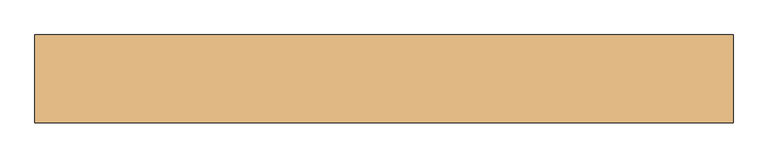
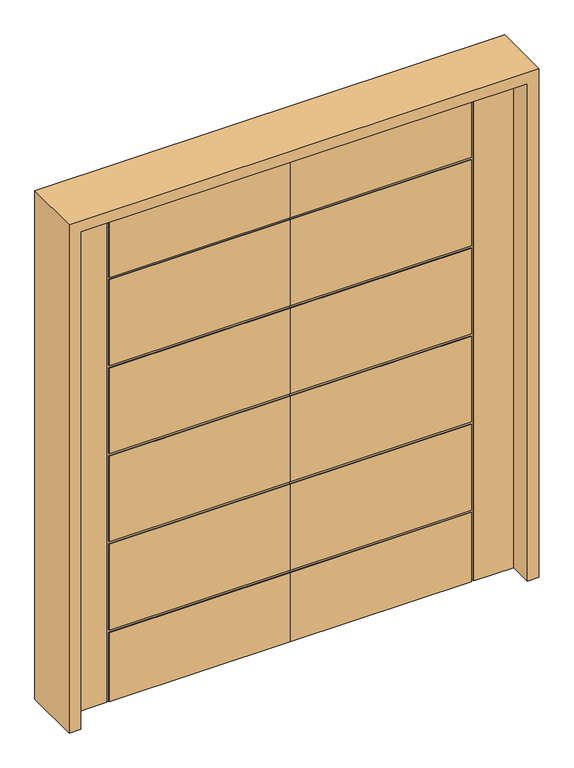
"""IFC4 building model written with IfcOpenShell, lengths in millimetres: door geometry."""

from ifc_helpers import new_model, si_unit, frame, origin, place, context, project, spatial, polyline, outline, extrude, faceted_brep, source, transform, mapped, element, save


def door_7cafe573(model_context):
    return source(origin(), model_context, "Body", "SolidModel", [
        faceted_brep([(0.0, -22.225, 0.0), (-700.024, -22.225, 0.0), (-700.024, -18.923, 0.0), (-709.93, -18.923, 0.0), (-709.93, -22.225, 0.0), (-863.6, -22.225, 0.0), (-863.6, 22.225, 0.0), (-709.93, 22.225, 0.0), (-709.93, 18.923, 0.0), (-700.024, 18.923, 0.0), (-700.024, 22.225, 0.0), (0.0, 22.225, 0.0), (0.0, -22.225, 2032.0), (0.0, -22.225, 1731.518), (0.0, -18.923, 1731.518), (0.0, -18.923, 1721.612), (0.0, -22.225, 1721.612), (0.0, -22.225, 1371.6), (0.0, -18.923, 1371.6), (0.0, -18.923, 1361.694), (0.0, -22.225, 1361.694), (0.0, -22.225, 1011.682), (0.0, -18.923, 1011.682), (0.0, -18.923, 1001.776), (0.0, -22.225, 1001.776), (0.0, -22.225, 651.764), (0.0, -18.923, 651.764), (0.0, -18.923, 641.858), (0.0, -22.225, 641.858), (0.0, -22.225, 291.846), (0.0, -18.923, 291.846), (0.0, -18.923, 281.94), (0.0, -22.225, 281.94), (0.0, 22.225, 281.94), (0.0, 18.923, 281.94), (0.0, 18.923, 291.846), (0.0, 22.225, 291.846), (0.0, 22.225, 641.858), (0.0, 18.923, 641.858), (0.0, 18.923, 651.764), (0.0, 22.225, 651.764), (0.0, 22.225, 1001.776), (0.0, 18.923, 1001.776), (0.0, 18.923, 1011.682), (0.0, 22.225, 1011.682), (0.0, 22.225, 1361.694), (0.0, 18.923, 1361.694), (0.0, 18.923, 1371.6), (0.0, 22.225, 1371.6), (0.0, 22.225, 1721.612), (0.0, 18.923, 1721.612), (0.0, 18.923, 1731.518), (0.0, 22.225, 1731.518), (0.0, 22.225, 2032.0), (-700.024, 22.225, 1731.518), (-700.024, 22.225, 2032.0), (-700.024, 22.225, 281.94), (-700.024, 22.225, 291.846), (-700.024, 22.225, 641.858), (-700.024, 22.225, 651.764), (-700.024, 22.225, 1001.776), (-700.024, 22.225, 1011.682), (-700.024, 22.225, 1361.694), (-700.024, 22.225, 1371.6), (-700.024, 22.225, 1721.612), (-863.6, 22.225, 2032.0), (-709.93, 22.225, 2032.0), (-700.024, 18.923, 281.94), (-700.024, 18.923, 291.846), (-709.93, 18.923, 2032.0), (-700.024, 18.923, 2032.0), (-700.024, 18.923, 1731.518), (-700.024, 18.923, 1721.612), (-700.024, 18.923, 1371.6), (-700.024, 18.923, 1361.694), (-700.024, 18.923, 1011.682), (-700.024, 18.923, 1001.776), (-700.024, 18.923, 651.764), (-700.024, 18.923, 641.858), (-863.6, -22.225, 2032.0), (-709.93, -22.225, 2032.0), (-700.024, -22.225, 281.94), (-700.024, -22.225, 641.858), (-700.024, -22.225, 291.846), (-700.024, -22.225, 1001.776), (-700.024, -22.225, 651.764), (-700.024, -22.225, 2032.0), (-700.024, -22.225, 1731.518), (-700.024, -22.225, 1361.694), (-700.024, -22.225, 1011.682), (-700.024, -22.225, 1721.612), (-700.024, -22.225, 1371.6), (-709.93, -18.923, 2032.0), (-700.024, -18.923, 2032.0), (-700.024, -18.923, 291.846), (-700.024, -18.923, 641.858), (-700.024, -18.923, 651.764), (-700.024, -18.923, 1001.776), (-700.024, -18.923, 1011.682), (-700.024, -18.923, 1361.694), (-700.024, -18.923, 1371.6), (-700.024, -18.923, 1721.612), (-700.024, -18.923, 1731.518), (-700.024, -18.923, 281.94)], [[[0, 1, 2, 3, 4, 5, 6, 7, 8, 9, 10, 11]], [[12, 13, 14, 15, 16, 17, 18, 19, 20, 21, 22, 23, 24, 25, 26, 27, 28, 29, 30, 31, 32, 0, 11, 33, 34, 35, 36, 37, 38, 39, 40, 41, 42, 43, 44, 45, 46, 47, 48, 49, 50, 51, 52, 53]], [[53, 52, 54, 55]], [[10, 56, 33, 11]], [[36, 57, 58, 37]], [[40, 59, 60, 41]], [[44, 61, 62, 45]], [[48, 63, 64, 49]], [[65, 66, 7, 6]], [[67, 56, 10, 9]], [[68, 35, 34, 67, 9, 8, 69, 70, 71, 51, 50, 72, 73, 47, 46, 74, 75, 43, 42, 76, 77, 39, 38, 78]], [[65, 6, 5, 79]], [[5, 4, 80, 79]], [[0, 32, 81, 1]], [[28, 82, 83, 29]], [[24, 84, 85, 25]], [[86, 87, 13, 12]], [[20, 88, 89, 21]], [[16, 90, 91, 17]], [[34, 33, 56, 67]], [[38, 37, 58, 78]], [[78, 58, 57, 68]], [[68, 57, 36, 35]], [[42, 41, 60, 76]], [[76, 60, 59, 77]], [[77, 59, 40, 39]], [[74, 62, 61, 75]], [[75, 61, 44, 43]], [[79, 80, 92, 93, 86, 12, 53, 55, 70, 69, 66, 65]], [[46, 45, 62, 74]], [[73, 63, 48, 47]], [[72, 64, 63, 73]], [[50, 49, 64, 72]], [[71, 54, 52, 51]], [[70, 55, 54, 71]], [[8, 7, 66, 69]], [[92, 80, 4, 3]], [[94, 95, 27, 26, 96, 97, 23, 22, 98, 99, 19, 18, 100, 101, 15, 14, 102, 93, 92, 3, 2, 103, 31, 30]], [[2, 1, 81, 103]], [[103, 81, 32, 31]], [[30, 29, 83, 94]], [[94, 83, 82, 95]], [[95, 82, 28, 27]], [[26, 25, 85, 96]], [[96, 85, 84, 97]], [[97, 84, 24, 23]], [[22, 21, 89, 98]], [[98, 89, 88, 99]], [[99, 88, 20, 19]], [[18, 17, 91, 100]], [[100, 91, 90, 101]], [[101, 90, 16, 15]], [[14, 13, 87, 102]], [[102, 87, 86, 93]]]),
        faceted_brep([(0.0, -22.225, 0.0), (0.0, 22.225, 0.0), (700.024, 22.225, 0.0), (700.024, 18.923, 0.0), (709.93, 18.923, 0.0), (709.93, 22.225, 0.0), (863.6, 22.225, 0.0), (863.6, -22.225, 0.0), (709.93, -22.225, 0.0), (709.93, -18.923, 0.0), (700.024, -18.923, 0.0), (700.024, -22.225, 0.0), (0.0, -22.225, 2032.0), (0.0, 22.225, 2032.0), (0.0, 22.225, 1731.518), (0.0, 18.923, 1731.518), (0.0, 18.923, 1721.612), (0.0, 22.225, 1721.612), (0.0, 22.225, 1371.6), (0.0, 18.923, 1371.6), (0.0, 18.923, 1361.694), (0.0, 22.225, 1361.694), (0.0, 22.225, 1011.682), (0.0, 18.923, 1011.682), (0.0, 18.923, 1001.776), (0.0, 22.225, 1001.776), (0.0, 22.225, 651.764), (0.0, 18.923, 651.764), (0.0, 18.923, 641.858), (0.0, 22.225, 641.858), (0.0, 22.225, 291.846), (0.0, 18.923, 291.846), (0.0, 18.923, 281.94), (0.0, 22.225, 281.94), (0.0, -22.225, 281.94), (0.0, -18.923, 281.94), (0.0, -18.923, 291.846), (0.0, -22.225, 291.846), (0.0, -22.225, 641.858), (0.0, -18.923, 641.858), (0.0, -18.923, 651.764), (0.0, -22.225, 651.764), (0.0, -22.225, 1001.776), (0.0, -18.923, 1001.776), (0.0, -18.923, 1011.682), (0.0, -22.225, 1011.682), (0.0, -22.225, 1361.694), (0.0, -18.923, 1361.694), (0.0, -18.923, 1371.6), (0.0, -22.225, 1371.6), (0.0, -22.225, 1721.612), (0.0, -18.923, 1721.612), (0.0, -18.923, 1731.518), (0.0, -22.225, 1731.518), (700.024, 22.225, 281.94), (700.024, 22.225, 1721.612), (700.024, 22.225, 1371.6), (700.024, 22.225, 1361.694), (700.024, 22.225, 1011.682), (700.024, 22.225, 1001.776), (700.024, 22.225, 651.764), (700.024, 22.225, 641.858), (700.024, 22.225, 291.846), (863.6, 22.225, 2032.0), (709.93, 22.225, 2032.0), (700.024, 22.225, 2032.0), (700.024, 22.225, 1731.518), (700.024, 18.923, 281.94), (700.024, 18.923, 291.846), (700.024, 18.923, 641.858), (700.024, 18.923, 651.764), (700.024, 18.923, 1001.776), (700.024, 18.923, 1011.682), (700.024, 18.923, 1361.694), (700.024, 18.923, 1371.6), (700.024, 18.923, 1721.612), (700.024, 18.923, 1731.518), (700.024, 18.923, 2032.0), (709.93, 18.923, 2032.0), (863.6, -22.225, 2032.0), (700.024, -22.225, 281.94), (709.93, -22.225, 2032.0), (700.024, -22.225, 291.846), (700.024, -22.225, 641.858), (700.024, -22.225, 651.764), (700.024, -22.225, 1001.776), (700.024, -22.225, 1011.682), (700.024, -22.225, 1361.694), (700.024, -22.225, 1371.6), (700.024, -22.225, 1721.612), (700.024, -22.225, 2032.0), (700.024, -22.225, 1731.518), (700.024, -18.923, 2032.0), (709.93, -18.923, 2032.0), (700.024, -18.923, 291.846), (700.024, -18.923, 281.94), (700.024, -18.923, 1731.518), (700.024, -18.923, 1721.612), (700.024, -18.923, 1371.6), (700.024, -18.923, 1361.694), (700.024, -18.923, 1011.682), (700.024, -18.923, 1001.776), (700.024, -18.923, 651.764), (700.024, -18.923, 641.858)], [[[0, 1, 2, 3, 4, 5, 6, 7, 8, 9, 10, 11]], [[12, 13, 14, 15, 16, 17, 18, 19, 20, 21, 22, 23, 24, 25, 26, 27, 28, 29, 30, 31, 32, 33, 1, 0, 34, 35, 36, 37, 38, 39, 40, 41, 42, 43, 44, 45, 46, 47, 48, 49, 50, 51, 52, 53]], [[2, 1, 33, 54]], [[18, 17, 55, 56]], [[22, 21, 57, 58]], [[26, 25, 59, 60]], [[30, 29, 61, 62]], [[63, 6, 5, 64]], [[13, 65, 66, 14]], [[67, 3, 2, 54]], [[68, 69, 28, 27, 70, 71, 24, 23, 72, 73, 20, 19, 74, 75, 16, 15, 76, 77, 78, 4, 3, 67, 32, 31]], [[63, 79, 7, 6]], [[0, 11, 80, 34]], [[7, 79, 81, 8]], [[38, 37, 82, 83]], [[42, 41, 84, 85]], [[46, 45, 86, 87]], [[50, 49, 88, 89]], [[90, 12, 53, 91]], [[32, 67, 54, 33]], [[28, 69, 61, 29]], [[69, 68, 62, 61]], [[68, 31, 30, 62]], [[24, 71, 59, 25]], [[71, 70, 60, 59]], [[70, 27, 26, 60]], [[73, 72, 58, 57]], [[72, 23, 22, 58]], [[79, 63, 64, 78, 77, 65, 13, 12, 90, 92, 93, 81]], [[20, 73, 57, 21]], [[74, 19, 18, 56]], [[75, 74, 56, 55]], [[16, 75, 55, 17]], [[76, 15, 14, 66]], [[77, 76, 66, 65]], [[4, 78, 64, 5]], [[93, 9, 8, 81]], [[94, 36, 35, 95, 10, 9, 93, 92, 96, 52, 51, 97, 98, 48, 47, 99, 100, 44, 43, 101, 102, 40, 39, 103]], [[10, 95, 80, 11]], [[95, 35, 34, 80]], [[36, 94, 82, 37]], [[94, 103, 83, 82]], [[103, 39, 38, 83]], [[40, 102, 84, 41]], [[102, 101, 85, 84]], [[101, 43, 42, 85]], [[44, 100, 86, 45]], [[100, 99, 87, 86]], [[99, 47, 46, 87]], [[48, 98, 88, 49]], [[98, 97, 89, 88]], [[97, 51, 50, 89]], [[52, 96, 91, 53]], [[96, 92, 90, 91]]]),
        extrude(outline(polyline([(0.0, -908.05), (0.0, -863.6), (2032.0, -863.6), (2032.0, 863.6), (0.0, 863.6), (0.0, 908.05), (2076.45, 908.05), (2076.45, -908.05), (0.0, -908.05)])), frame((0.0, -114.3, 0.0), z_axis=(0.0, 1.0, 0.0), x_axis=(0.0, 0.0, 1.0)), (0.0, 0.0, 1.0), 228.6),
    ])


if __name__ == "__main__":
    model = new_model("IFC4")
    model_context = context("Model", 3, world=origin())
    ifc_project = project(units=[si_unit("LENGTHUNIT", "METRE", prefix="MILLI")], contexts=[model_context])
    site = spatial("IfcSite", under=ifc_project)
    building = spatial("IfcBuilding", under=site)
    placement = place(None, origin())
    door_shape = door_7cafe573(model_context)
    element("IfcDoor", 1, at=placement, inside=building, context=model_context, shape_type="MappedRepresentation", body=[
        mapped(door_shape, transform((0.0, 0.0, 0.0), x_axis=(1.0, 0.0, 0.0), y_axis=(0.0, 1.0, 0.0), z_axis=(0.0, 0.0, 1.0))),
    ])
    save(model, "model.ifc")
